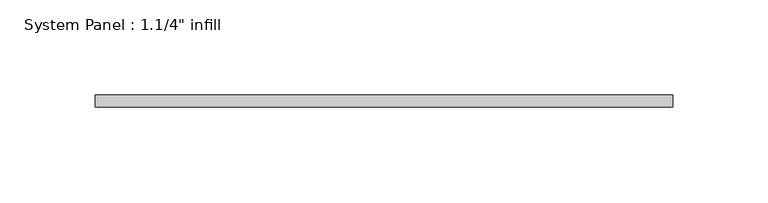
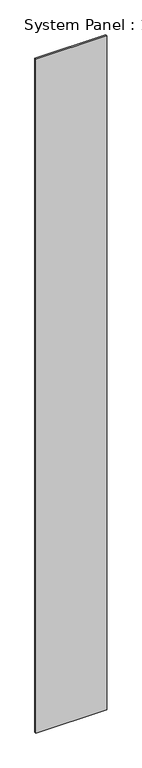
"""IFC4 building model written with IfcOpenShell, lengths in millimetres: plate geometry."""

from ifc_helpers import new_model, si_unit, origin, origin_with_axes, place, context, project, spatial, polyline, outline, extrude, source, transform, mapped, element, save


def plate_2bc6ff67(model_context):
    return source(origin(), model_context, "Body", "SweptSolid", [
        extrude(outline(polyline([(151.7619687, -0.0992187), (-151.7619687, -0.0992187), (-151.7619687, 6.2507813), (151.7619687, 6.2507813), (151.7619687, -0.0992187)])), origin_with_axes(), (0.0, 0.0, 1.0), 3048.0),
    ])


if __name__ == "__main__":
    model = new_model("IFC4")
    model_context = context("Model", 3, world=origin())
    ifc_project = project(units=[si_unit("LENGTHUNIT", "METRE", prefix="MILLI")], contexts=[model_context])
    site = spatial("IfcSite", under=ifc_project)
    building = spatial("IfcBuilding", under=site)
    placement = place(None, origin())
    plate_shape = plate_2bc6ff67(model_context)
    element("IfcPlate", 1, ObjectType="System Panel : 1.1/4\" infill", at=placement, inside=building, context=model_context, shape_type="MappedRepresentation", body=[
        mapped(plate_shape, transform((0.0, 0.0, 0.0), x_axis=(1.0, 0.0, 0.0), y_axis=(0.0, 1.0, 0.0), z_axis=(0.0, 0.0, 1.0))),
    ])
    save(model, "model.ifc")
